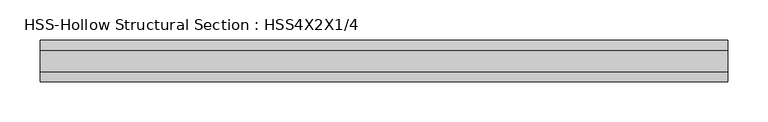
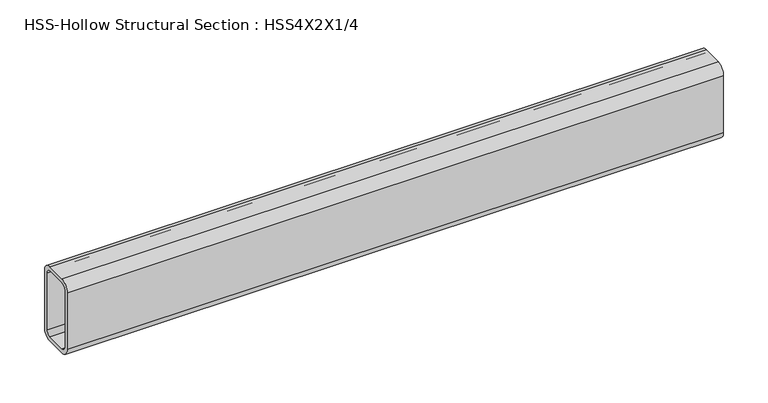
"""IFC4 building model written with IfcOpenShell, lengths in millimetres: beam geometry, HSS-Hollow Structural Section : HSS4X2X1/4."""

import ifcopenshell
import ifcopenshell.guid

model = None  # the IFC model being written
_history = None  # IfcOwnerHistory: only IFC2X3 demands one
_inside = {}  # id of a spatial element -> (the spatial element, [elements in it])
_under = {}  # id of a project, library or spatial element -> (it, [spatial elements below it])
_declared = {}  # id of a project -> (the project, [libraries it declares])
_typed = {}  # id of a type object -> (the type object, [elements of that type])
_made_of = {}  # id of a material, layer set ... -> (it, [elements and type objects made of it])


def new_model(schema):
    """Start an empty IFC model of exactly this schema.

    Asked for "IFC4X3", IfcOpenShell would pick the latest addendum, in which some entities
    have other attributes; the version numbers below select the first issue.
    IFC2X3 requires an IfcOwnerHistory on every rooted entity: one is made here for all.
    """
    global model, _history
    if schema == "IFC4X3":
        model = ifcopenshell.file(schema_version=(4, 3, 0, 0))
    else:
        model = ifcopenshell.file(schema=schema)
    _inside.clear()
    _under.clear()
    _declared.clear()
    _typed.clear()
    _made_of.clear()
    _history = None
    if model.schema == "IFC2X3":
        org = make("IfcOrganization", Name="unknown")
        user = make(
            "IfcPersonAndOrganization",
            ThePerson=make("IfcPerson", FamilyName="unknown"),
            TheOrganization=org,
        )
        app = make(
            "IfcApplication",
            ApplicationDeveloper=org,
            Version="unknown",
            ApplicationFullName="unknown",
            ApplicationIdentifier="unknown",
        )
        _history = make(
            "IfcOwnerHistory",
            OwningUser=user,
            OwningApplication=app,
            ChangeAction="ADDED",
            CreationDate=0,
        )
    return model


def make(cls, **values):
    """One entity of the class cls with the attributes given. An attribute that is None is left unset."""
    return model.create_entity(
        cls, **{name: value for name, value in values.items() if value is not None}
    )


def rooted(cls, **values):
    """An entity with a GlobalId (a new one), such as an element, a storey or a relation."""
    return make(cls, GlobalId=ifcopenshell.guid.new(), OwnerHistory=_history, **values)


def si_unit(unit_type, name, prefix=None):
    """IfcSIUnit, for example si_unit("LENGTHUNIT", "METRE", prefix="MILLI")."""
    return make("IfcSIUnit", UnitType=unit_type, Prefix=prefix, Name=name)


def assignment(units):
    """IfcUnitAssignment: the units of a project."""
    return None if units is None else make("IfcUnitAssignment", Units=units)


def point(xyz):
    """IfcCartesianPoint."""
    return None if xyz is None else make("IfcCartesianPoint", Coordinates=xyz)


def direction(xyz):
    """IfcDirection."""
    return None if xyz is None else make("IfcDirection", DirectionRatios=xyz)


def frame(location, z_axis=None, x_axis=None):
    """IfcAxis2Placement3D, a coordinate frame: its origin and axes. An axis left out is left unset."""
    return make(
        "IfcAxis2Placement3D",
        Location=point(location),
        Axis=direction(z_axis),
        RefDirection=direction(x_axis),
    )


def frame_2d(location, x_axis=None):
    """IfcAxis2Placement2D, a coordinate frame in the plane: its origin and x axis."""
    return make(
        "IfcAxis2Placement2D", Location=point(location), RefDirection=direction(x_axis)
    )


def origin():
    """The frame at (0, 0, 0) with its axes left unset."""
    return frame((0.0, 0.0, 0.0))


def place(relative_to, where):
    """IfcLocalPlacement: puts the frame where relative to a parent placement (None: the world)."""
    return make(
        "IfcLocalPlacement", PlacementRelTo=relative_to, RelativePlacement=where
    )


def context(
    kind, dimensions, precision=None, world=None, true_north=None, identifier=None
):
    """IfcGeometricRepresentationContext, for example the 3D "Model" context."""
    return make(
        "IfcGeometricRepresentationContext",
        ContextIdentifier=identifier,
        ContextType=kind,
        CoordinateSpaceDimension=dimensions,
        Precision=precision,
        WorldCoordinateSystem=world,
        TrueNorth=true_north,
    )


def project(units=None, contexts=None):
    """IfcProject with its units and contexts."""
    return rooted(
        "IfcProject",
        Name="project",
        RepresentationContexts=contexts,
        UnitsInContext=assignment(units),
    )


def spatial(cls, under=None, at=None, **own):
    """A site, building, storey or space (cls), placed at a placement, below another one or the project."""
    s = rooted(cls, ObjectPlacement=at, **own)
    if under is not None:
        _under.setdefault(under.id(), (under, []))[1].append(s)
    return s


def polyline(points):
    """IfcPolyline through the points."""
    return make("IfcPolyline", Points=[point(p) for p in points])


def circle_curve(where, radius):
    """IfcCircle in the frame where."""
    return make("IfcCircle", Position=where, Radius=radius)


def trimmed(basis, trim1, trim2, sense, master):
    """IfcTrimmedCurve: the piece of a basis curve between two trims."""
    return make(
        "IfcTrimmedCurve",
        BasisCurve=basis,
        Trim1=trim1,
        Trim2=trim2,
        SenseAgreement=sense,
        MasterRepresentation=master,
    )


def segment(curve, same_sense, transition):
    """IfcCompositeCurveSegment."""
    return make(
        "IfcCompositeCurveSegment",
        Transition=transition,
        SameSense=same_sense,
        ParentCurve=curve,
    )


def composite_curve(segments, self_intersect=None):
    """IfcCompositeCurve: segments joined end to end."""
    return make("IfcCompositeCurve", Segments=segments, SelfIntersect=self_intersect)


def outline(outer, holes=None, kind="AREA"):
    """IfcArbitraryClosedProfileDef: a profile drawn as a closed curve; with holes, ...WithVoids."""
    if holes is None:
        return make("IfcArbitraryClosedProfileDef", ProfileType=kind, OuterCurve=outer)
    return make(
        "IfcArbitraryProfileDefWithVoids",
        ProfileType=kind,
        OuterCurve=outer,
        InnerCurves=holes,
    )


def extrude(swept, where, along, depth):
    """IfcExtrudedAreaSolid: the profile swept, set in the frame where, extruded along a direction by depth."""
    return make(
        "IfcExtrudedAreaSolid",
        SweptArea=swept,
        Position=where,
        ExtrudedDirection=direction(along),
        Depth=depth,
    )


def shape(context_of_items, identifier, shape_type, items):
    """IfcShapeRepresentation: the items that make up one representation, for example the "Body"."""
    return make(
        "IfcShapeRepresentation",
        ContextOfItems=context_of_items,
        RepresentationIdentifier=identifier,
        RepresentationType=shape_type,
        Items=items,
    )


def source(mapping_origin, context_of_items, identifier, shape_type, items):
    """IfcRepresentationMap: a shape defined once, which mapped items show again and again."""
    return make(
        "IfcRepresentationMap",
        MappingOrigin=mapping_origin,
        MappedRepresentation=shape(context_of_items, identifier, shape_type, items),
    )


def transform(
    local_origin,
    x_axis=None,
    y_axis=None,
    z_axis=None,
    scale=None,
    scale2=None,
    scale3=None,
    uniform=True,
):
    """IfcCartesianTransformationOperator3D, or its non-uniform kind. x_axis, y_axis, z_axis: its Axis1, 2, 3."""
    if uniform:
        return make(
            "IfcCartesianTransformationOperator3D",
            Axis1=direction(x_axis),
            Axis2=direction(y_axis),
            LocalOrigin=point(local_origin),
            Scale=scale,
            Axis3=direction(z_axis),
        )
    return make(
        "IfcCartesianTransformationOperator3DnonUniform",
        Axis1=direction(x_axis),
        Axis2=direction(y_axis),
        LocalOrigin=point(local_origin),
        Scale=scale,
        Axis3=direction(z_axis),
        Scale2=scale2,
        Scale3=scale3,
    )


def mapped(mapping_source, mapping_target):
    """IfcMappedItem: shows the shape of a source again, moved by a transform."""
    return make(
        "IfcMappedItem", MappingSource=mapping_source, MappingTarget=mapping_target
    )


def made_of(thing, what):
    """Note that an element or type object is made of a material, layer set ...; save() writes the relation."""
    if what is not None:
        _made_of.setdefault(what.id(), (what, []))[1].append(thing)
    return thing


def element(
    cls,
    number,
    at=None,
    inside=None,
    cuts=None,
    type_object=None,
    material=None,
    context=None,
    identifier="Body",
    shape_type=None,
    held_by="IfcProductDefinitionShape",
    body=None,
    shapes=None,
    **own,
):
    """One element of the class cls, such as IfcWall. Its Tag is "e" and its number.

    at: its placement. inside: the storey or other place that contains it. cuts: it is an
    opening in that element (IfcRelVoidsElement). A single representation is given by context,
    identifier, shape_type and body (its items); several are given by shapes. held_by: the class
    of the entity that holds the representations. save() writes the other relations.
    """
    e = rooted(cls, Tag="e%d" % number, ObjectPlacement=at, **own)
    if body is not None:
        shapes = [shape(context, identifier, shape_type, body)]
    if shapes is not None:
        e.Representation = make(held_by, Representations=shapes)
    if inside is not None:
        _inside.setdefault(inside.id(), (inside, []))[1].append(e)
    if cuts is not None:
        rooted(
            "IfcRelVoidsElement", RelatingBuildingElement=cuts, RelatedOpeningElement=e
        )
    if type_object is not None:
        _typed.setdefault(type_object.id(), (type_object, []))[1].append(e)
    return made_of(e, material)


def aggregate(whole, parts):
    """IfcRelAggregates: a whole, such as a stair, and the parts it consists of."""
    return rooted("IfcRelAggregates", RelatingObject=whole, RelatedObjects=parts)


def save(model, path):
    """Write the relations noted so far, then the file.

    IfcRelAggregates (storeys below a building ...), IfcRelContainedInSpatialStructure (elements
    in a storey), IfcRelDefinesByType, IfcRelAssociatesMaterial and IfcRelDeclares: one each for
    every whole, place, type object, material and project.
    """
    for whole, parts in _under.values():
        aggregate(whole, parts)
    for where, things in _inside.values():
        rooted(
            "IfcRelContainedInSpatialStructure",
            RelatedElements=things,
            RelatingStructure=where,
        )
    for kind, things in _typed.values():
        rooted("IfcRelDefinesByType", RelatedObjects=things, RelatingType=kind)
    for what, things in _made_of.values():
        rooted("IfcRelAssociatesMaterial", RelatedObjects=things, RelatingMaterial=what)
    for by, libraries in _declared.values():
        rooted("IfcRelDeclares", RelatingContext=by, RelatedDefinitions=libraries)
    model.write(path)


def hss_hollow_structural_section_hss4x2x1_4_ffcbca25(model_context):
    return source(origin(), model_context, "Body", "SweptSolid", [
        extrude(outline(composite_curve([segment(polyline([(25.4, 38.9636), (25.4, -38.9636)]), True, "CONTINUOUS"), segment(trimmed(circle_curve(frame_2d((13.5636, -38.9636)), 11.8364), [point((25.4, -38.9636))], [point((13.5636, -50.8))], False, "CARTESIAN"), True, "CONTINUOUS"), segment(polyline([(13.5636, -50.8), (-13.5636, -50.8)]), True, "CONTINUOUS"), segment(trimmed(circle_curve(frame_2d((-13.5636, -38.9636)), 11.8364), [point((-13.5636, -50.8))], [point((-25.4, -38.9636))], False, "CARTESIAN"), True, "CONTINUOUS"), segment(polyline([(-25.4, -38.9636), (-25.4, 38.9636)]), True, "CONTINUOUS"), segment(trimmed(circle_curve(frame_2d((-13.5636, 38.9636)), 11.8364), [point((-25.4, 38.9636))], [point((-13.5636, 50.8))], False, "CARTESIAN"), True, "CONTINUOUS"), segment(polyline([(-13.5636, 50.8), (13.5636, 50.8)]), True, "CONTINUOUS"), segment(trimmed(circle_curve(frame_2d((13.5636, 38.9636)), 11.8364), [point((13.5636, 50.8))], [point((25.4, 38.9636))], False, "CARTESIAN"), True, "CONTINUOUS")], self_intersect=False), holes=[composite_curve([segment(trimmed(circle_curve(frame_2d((-13.5636, 38.9636)), 5.9182), [point((-13.5636, 44.8818))], [point((-19.4818, 38.9636))], True, "CARTESIAN"), True, "CONTINUOUS"), segment(polyline([(-19.4818, 38.9636), (-19.4818, -38.9636)]), True, "CONTINUOUS"), segment(trimmed(circle_curve(frame_2d((-13.5636, -38.9636)), 5.9182), [point((-19.4818, -38.9636))], [point((-13.5636, -44.8818))], True, "CARTESIAN"), True, "CONTINUOUS"), segment(polyline([(-13.5636, -44.8818), (13.5636, -44.8818)]), True, "CONTINUOUS"), segment(trimmed(circle_curve(frame_2d((13.5636, -38.9636)), 5.9182), [point((13.5636, -44.8818))], [point((19.4818, -38.9636))], True, "CARTESIAN"), True, "CONTINUOUS"), segment(polyline([(19.4818, -38.9636), (19.4818, 38.9636)]), True, "CONTINUOUS"), segment(trimmed(circle_curve(frame_2d((13.5636, 38.9636)), 5.9182), [point((19.4818, 38.9636))], [point((13.5636, 44.8818))], True, "CARTESIAN"), True, "CONTINUOUS"), segment(polyline([(13.5636, 44.8818), (-13.5636, 44.8818)]), True, "CONTINUOUS")], self_intersect=False)]), frame((-426.1485, 0.0, 0.0), z_axis=(1.0, 0.0, 0.0), x_axis=(0.0, 1.0, 0.0)), (0.0, 0.0, 1.0), 849.63),
    ])


if __name__ == "__main__":
    model = new_model("IFC4")
    model_context = context("Model", 3, world=origin())
    ifc_project = project(units=[si_unit("LENGTHUNIT", "METRE", prefix="MILLI")], contexts=[model_context])
    site = spatial("IfcSite", under=ifc_project)
    building = spatial("IfcBuilding", under=site)
    placement = place(None, origin())
    hss_hollow_structural_section_hss4x2x1_4_shape = hss_hollow_structural_section_hss4x2x1_4_ffcbca25(model_context)
    element("IfcBeam", 1, ObjectType="HSS-Hollow Structural Section : HSS4X2X1/4", at=placement, inside=building, context=model_context, shape_type="MappedRepresentation", body=[
        mapped(hss_hollow_structural_section_hss4x2x1_4_shape, transform((0.0, 0.0, 0.0), x_axis=(1.0, 0.0, 0.0), y_axis=(0.0, 1.0, 0.0), z_axis=(0.0, 0.0, 1.0))),
    ])
    save(model, "model.ifc")
